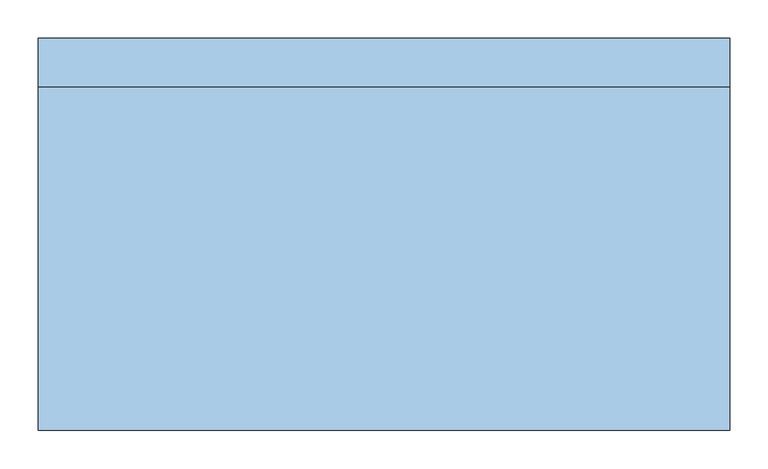
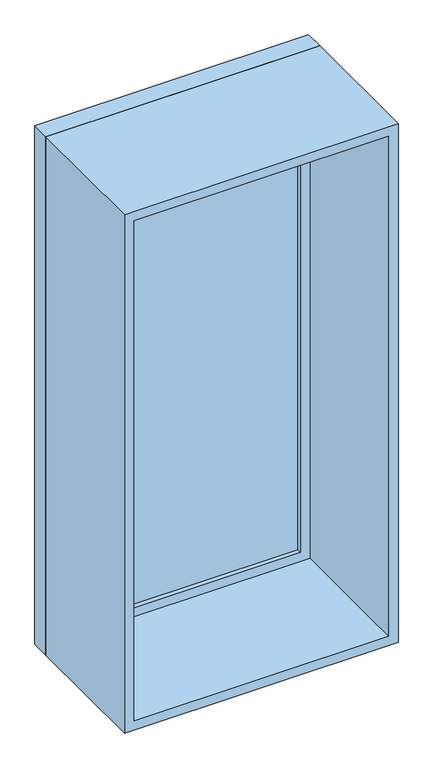
"""IFC4 building model written with IfcOpenShell, lengths in millimetres: window geometry."""

import ifcopenshell
import ifcopenshell.guid

model = None  # the IFC model being written
_history = None  # IfcOwnerHistory: only IFC2X3 demands one
_inside = {}  # id of a spatial element -> (the spatial element, [elements in it])
_under = {}  # id of a project, library or spatial element -> (it, [spatial elements below it])
_declared = {}  # id of a project -> (the project, [libraries it declares])
_typed = {}  # id of a type object -> (the type object, [elements of that type])
_made_of = {}  # id of a material, layer set ... -> (it, [elements and type objects made of it])


def new_model(schema):
    """Start an empty IFC model of exactly this schema.

    Asked for "IFC4X3", IfcOpenShell would pick the latest addendum, in which some entities
    have other attributes; the version numbers below select the first issue.
    IFC2X3 requires an IfcOwnerHistory on every rooted entity: one is made here for all.
    """
    global model, _history
    if schema == "IFC4X3":
        model = ifcopenshell.file(schema_version=(4, 3, 0, 0))
    else:
        model = ifcopenshell.file(schema=schema)
    _inside.clear()
    _under.clear()
    _declared.clear()
    _typed.clear()
    _made_of.clear()
    _history = None
    if model.schema == "IFC2X3":
        org = make("IfcOrganization", Name="unknown")
        user = make(
            "IfcPersonAndOrganization",
            ThePerson=make("IfcPerson", FamilyName="unknown"),
            TheOrganization=org,
        )
        app = make(
            "IfcApplication",
            ApplicationDeveloper=org,
            Version="unknown",
            ApplicationFullName="unknown",
            ApplicationIdentifier="unknown",
        )
        _history = make(
            "IfcOwnerHistory",
            OwningUser=user,
            OwningApplication=app,
            ChangeAction="ADDED",
            CreationDate=0,
        )
    return model


def make(cls, **values):
    """One entity of the class cls with the attributes given. An attribute that is None is left unset."""
    return model.create_entity(
        cls, **{name: value for name, value in values.items() if value is not None}
    )


def rooted(cls, **values):
    """An entity with a GlobalId (a new one), such as an element, a storey or a relation."""
    return make(cls, GlobalId=ifcopenshell.guid.new(), OwnerHistory=_history, **values)


def si_unit(unit_type, name, prefix=None):
    """IfcSIUnit, for example si_unit("LENGTHUNIT", "METRE", prefix="MILLI")."""
    return make("IfcSIUnit", UnitType=unit_type, Prefix=prefix, Name=name)


def assignment(units):
    """IfcUnitAssignment: the units of a project."""
    return None if units is None else make("IfcUnitAssignment", Units=units)


def point(xyz):
    """IfcCartesianPoint."""
    return None if xyz is None else make("IfcCartesianPoint", Coordinates=xyz)


def direction(xyz):
    """IfcDirection."""
    return None if xyz is None else make("IfcDirection", DirectionRatios=xyz)


def frame(location, z_axis=None, x_axis=None):
    """IfcAxis2Placement3D, a coordinate frame: its origin and axes. An axis left out is left unset."""
    return make(
        "IfcAxis2Placement3D",
        Location=point(location),
        Axis=direction(z_axis),
        RefDirection=direction(x_axis),
    )


def origin():
    """The frame at (0, 0, 0) with its axes left unset."""
    return frame((0.0, 0.0, 0.0))


def place(relative_to, where):
    """IfcLocalPlacement: puts the frame where relative to a parent placement (None: the world)."""
    return make(
        "IfcLocalPlacement", PlacementRelTo=relative_to, RelativePlacement=where
    )


def context(
    kind, dimensions, precision=None, world=None, true_north=None, identifier=None
):
    """IfcGeometricRepresentationContext, for example the 3D "Model" context."""
    return make(
        "IfcGeometricRepresentationContext",
        ContextIdentifier=identifier,
        ContextType=kind,
        CoordinateSpaceDimension=dimensions,
        Precision=precision,
        WorldCoordinateSystem=world,
        TrueNorth=true_north,
    )


def project(units=None, contexts=None):
    """IfcProject with its units and contexts."""
    return rooted(
        "IfcProject",
        Name="project",
        RepresentationContexts=contexts,
        UnitsInContext=assignment(units),
    )


def spatial(cls, under=None, at=None, **own):
    """A site, building, storey or space (cls), placed at a placement, below another one or the project."""
    s = rooted(cls, ObjectPlacement=at, **own)
    if under is not None:
        _under.setdefault(under.id(), (under, []))[1].append(s)
    return s


def polyline(points):
    """IfcPolyline through the points."""
    return make("IfcPolyline", Points=[point(p) for p in points])


def outline(outer, holes=None, kind="AREA"):
    """IfcArbitraryClosedProfileDef: a profile drawn as a closed curve; with holes, ...WithVoids."""
    if holes is None:
        return make("IfcArbitraryClosedProfileDef", ProfileType=kind, OuterCurve=outer)
    return make(
        "IfcArbitraryProfileDefWithVoids",
        ProfileType=kind,
        OuterCurve=outer,
        InnerCurves=holes,
    )


def extrude(swept, where, along, depth):
    """IfcExtrudedAreaSolid: the profile swept, set in the frame where, extruded along a direction by depth."""
    return make(
        "IfcExtrudedAreaSolid",
        SweptArea=swept,
        Position=where,
        ExtrudedDirection=direction(along),
        Depth=depth,
    )


def shape(context_of_items, identifier, shape_type, items):
    """IfcShapeRepresentation: the items that make up one representation, for example the "Body"."""
    return make(
        "IfcShapeRepresentation",
        ContextOfItems=context_of_items,
        RepresentationIdentifier=identifier,
        RepresentationType=shape_type,
        Items=items,
    )


def source(mapping_origin, context_of_items, identifier, shape_type, items):
    """IfcRepresentationMap: a shape defined once, which mapped items show again and again."""
    return make(
        "IfcRepresentationMap",
        MappingOrigin=mapping_origin,
        MappedRepresentation=shape(context_of_items, identifier, shape_type, items),
    )


def transform(
    local_origin,
    x_axis=None,
    y_axis=None,
    z_axis=None,
    scale=None,
    scale2=None,
    scale3=None,
    uniform=True,
):
    """IfcCartesianTransformationOperator3D, or its non-uniform kind. x_axis, y_axis, z_axis: its Axis1, 2, 3."""
    if uniform:
        return make(
            "IfcCartesianTransformationOperator3D",
            Axis1=direction(x_axis),
            Axis2=direction(y_axis),
            LocalOrigin=point(local_origin),
            Scale=scale,
            Axis3=direction(z_axis),
        )
    return make(
        "IfcCartesianTransformationOperator3DnonUniform",
        Axis1=direction(x_axis),
        Axis2=direction(y_axis),
        LocalOrigin=point(local_origin),
        Scale=scale,
        Axis3=direction(z_axis),
        Scale2=scale2,
        Scale3=scale3,
    )


def mapped(mapping_source, mapping_target):
    """IfcMappedItem: shows the shape of a source again, moved by a transform."""
    return make(
        "IfcMappedItem", MappingSource=mapping_source, MappingTarget=mapping_target
    )


def made_of(thing, what):
    """Note that an element or type object is made of a material, layer set ...; save() writes the relation."""
    if what is not None:
        _made_of.setdefault(what.id(), (what, []))[1].append(thing)
    return thing


def element(
    cls,
    number,
    at=None,
    inside=None,
    cuts=None,
    type_object=None,
    material=None,
    context=None,
    identifier="Body",
    shape_type=None,
    held_by="IfcProductDefinitionShape",
    body=None,
    shapes=None,
    **own,
):
    """One element of the class cls, such as IfcWall. Its Tag is "e" and its number.

    at: its placement. inside: the storey or other place that contains it. cuts: it is an
    opening in that element (IfcRelVoidsElement). A single representation is given by context,
    identifier, shape_type and body (its items); several are given by shapes. held_by: the class
    of the entity that holds the representations. save() writes the other relations.
    """
    e = rooted(cls, Tag="e%d" % number, ObjectPlacement=at, **own)
    if body is not None:
        shapes = [shape(context, identifier, shape_type, body)]
    if shapes is not None:
        e.Representation = make(held_by, Representations=shapes)
    if inside is not None:
        _inside.setdefault(inside.id(), (inside, []))[1].append(e)
    if cuts is not None:
        rooted(
            "IfcRelVoidsElement", RelatingBuildingElement=cuts, RelatedOpeningElement=e
        )
    if type_object is not None:
        _typed.setdefault(type_object.id(), (type_object, []))[1].append(e)
    return made_of(e, material)


def aggregate(whole, parts):
    """IfcRelAggregates: a whole, such as a stair, and the parts it consists of."""
    return rooted("IfcRelAggregates", RelatingObject=whole, RelatedObjects=parts)


def save(model, path):
    """Write the relations noted so far, then the file.

    IfcRelAggregates (storeys below a building ...), IfcRelContainedInSpatialStructure (elements
    in a storey), IfcRelDefinesByType, IfcRelAssociatesMaterial and IfcRelDeclares: one each for
    every whole, place, type object, material and project.
    """
    for whole, parts in _under.values():
        aggregate(whole, parts)
    for where, things in _inside.values():
        rooted(
            "IfcRelContainedInSpatialStructure",
            RelatedElements=things,
            RelatingStructure=where,
        )
    for kind, things in _typed.values():
        rooted("IfcRelDefinesByType", RelatedObjects=things, RelatingType=kind)
    for what, things in _made_of.values():
        rooted("IfcRelAssociatesMaterial", RelatedObjects=things, RelatingMaterial=what)
    for by, libraries in _declared.values():
        rooted("IfcRelDeclares", RelatingContext=by, RelatedDefinitions=libraries)
    model.write(path)


def window_4c592d5b(model_context):
    return source(origin(), model_context, "Body", "SweptSolid", [
        extrude(outline(polyline([(-387.0, 233.0), (387.0, 233.0), (387.0, 221.0), (-387.0, 221.0), (-387.0, 233.0)])), frame((0.0, 0.0, 368.0), z_axis=(0.0, 0.0, 1.0), x_axis=(1.0, 0.0, 0.0)), (0.0, 0.0, 1.0), 1674.0),
        extrude(outline(polyline([(2086.0, -431.0), (324.0, -431.0), (324.0, 431.0), (2086.0, 431.0), (2086.0, -431.0)]), holes=[polyline([(2042.0, -387.0), (2042.0, 387.0), (368.0, 387.0), (368.0, -387.0), (2042.0, -387.0)])]), frame((0.0, 205.0, 0.0), z_axis=(0.0, 1.0, 0.0), x_axis=(0.0, 0.0, 1.0)), (0.0, 0.0, 1.0), 44.0),
        extrude(outline(polyline([(2105.0, -450.0), (305.0, -450.0), (305.0, 450.0), (2105.0, 450.0), (2105.0, -450.0)]), holes=[polyline([(2086.0, -431.0), (2086.0, 431.0), (324.0, 431.0), (324.0, -431.0), (2086.0, -431.0)])]), frame((0.0, 205.0, 0.0), z_axis=(0.0, 1.0, 0.0), x_axis=(0.0, 0.0, 1.0)), (0.0, 0.0, 1.0), 63.0),
        extrude(outline(polyline([(2105.0, -450.0), (305.0, -450.0), (305.0, 450.0), (2105.0, 450.0), (2105.0, -450.0)]), holes=[polyline([(2073.0, -418.0), (2073.0, 418.0), (337.0, 418.0), (337.0, -418.0), (2073.0, -418.0)])]), frame((0.0, -242.0, 0.0), z_axis=(0.0, 1.0, 0.0), x_axis=(0.0, 0.0, 1.0)), (0.0, 0.0, 1.0), 447.0),
    ])


if __name__ == "__main__":
    model = new_model("IFC4")
    model_context = context("Model", 3, world=origin())
    ifc_project = project(units=[si_unit("LENGTHUNIT", "METRE", prefix="MILLI")], contexts=[model_context])
    site = spatial("IfcSite", under=ifc_project)
    building = spatial("IfcBuilding", under=site)
    placement = place(None, origin())
    window_shape = window_4c592d5b(model_context)
    element("IfcWindow", 1, at=placement, inside=building, context=model_context, shape_type="MappedRepresentation", body=[
        mapped(window_shape, transform((0.0, 0.0, 0.0), x_axis=(1.0, 0.0, 0.0), y_axis=(0.0, 1.0, 0.0), z_axis=(0.0, 0.0, 1.0))),
    ])
    save(model, "model.ifc")
